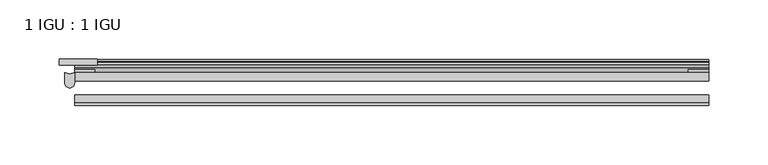
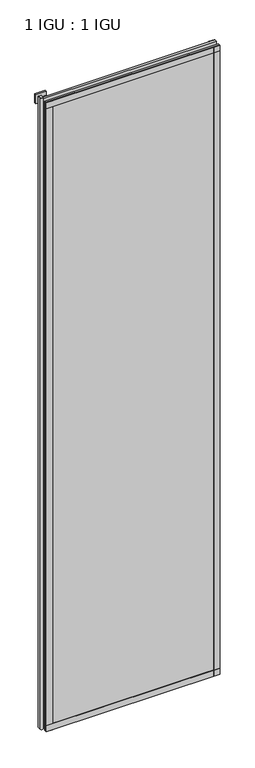
"""IFC4 building model written with IfcOpenShell, lengths in millimetres: plate geometry, 1 IGU : 1 IGU."""

from ifc_helpers import new_model, si_unit, point, frame, frame_2d, origin, place, context, project, spatial, polyline, circle_curve, trimmed, segment, composite_curve, outline, extrude, source, transform, mapped, element, save


def plate_1_igu_1_igu_e9c1ebd1(model_context):
    return source(origin(), model_context, "Body", "SweptSolid", [
        extrude(outline(polyline([(266.7, -11.6085937), (266.7, -18.8576359), (-266.7, -18.8576359), (-266.7, -11.6085937), (266.7, -11.6085937)])), frame((0.0, 0.0, -19.05), z_axis=(0.0, 0.0, 1.0), x_axis=(1.0, 0.0, 0.0)), (0.0, 0.0, 1.0), 2038.3500001),
        extrude(outline(polyline([(-266.7, -30.7093937), (266.7, -30.7093937), (266.7, -37.0085937), (-266.7, -37.0085937), (-266.7, -30.7093937)])), frame((0.0, 0.0, -19.05), z_axis=(0.0, 0.0, 1.0), x_axis=(1.0, 0.0, 0.0)), (0.0, 0.0, 1.0), 2038.3500001),
        extrude(outline(polyline([(-279.4, -5.3578125), (-279.4, -0.4960938), (-247.65, -0.4960938), (-247.65, -5.3578125), (-279.4, -5.3578125)])), frame((0.0, 0.0, 2000.2500001), z_axis=(0.0, 0.0, 1.0), x_axis=(1.0, 0.0, 0.0)), (0.0, 0.0, 1.0), 28.575),
        extrude(outline(composite_curve([segment(trimmed(circle_curve(frame_2d((-270.7937298, -4.9389529)), 7.8257736), [point((-274.8874596, -11.6085937))], [point((-266.7, -11.6085937))], True, "CARTESIAN"), True, "CONTINUOUS"), segment(polyline([(-266.7, -11.6085937), (-266.7, -20.4985937)]), True, "CONTINUOUS"), segment(trimmed(circle_curve(frame_2d((-270.7937298, -20.4985937)), 4.0937298), [point((-266.7, -20.4985937))], [point((-274.8874596, -20.4985937))], False, "CARTESIAN"), True, "CONTINUOUS"), segment(polyline([(-274.8874596, -20.4985937), (-274.8874596, -11.6085937)]), True, "CONTINUOUS")], self_intersect=False)), frame((0.0, 0.0, -19.05), z_axis=(0.0, 0.0, 1.0), x_axis=(1.0, 0.0, 0.0)), (0.0, 0.0, 1.0), 2045.4874001),
        extrude(outline(polyline([(-11.6085937, -15.24), (-11.6085937, 2.8161565), (-0.5298609, 1.2591422), (-0.5298609, -0.6645794), (-5.258589, 0.0), (-5.258589, -4.826), (-1.575589, -4.826), (-1.575589, -7.874), (-5.258589, -7.874), (-5.258589, -13.208), (-3.099589, -13.208), (-3.099589, -15.24), (-11.6085937, -15.24)])), frame((-266.7, 0.0, 0.0), z_axis=(1.0, 0.0, 0.0), x_axis=(0.0, 1.0, 0.0)), (0.0, 0.0, 1.0), 533.4),
        extrude(outline(polyline([(-266.7, -39.2945937), (-266.7, -37.0085937), (266.7, -37.0085937), (266.7, -39.2945937), (-266.7, -39.2945937)])), frame((0.0, 0.0, -19.05), z_axis=(0.0, 0.0, 1.0), x_axis=(1.0, 0.0, 0.0)), (0.0, 0.0, 1.0), 19.05),
        extrude(outline(composite_curve([segment(trimmed(circle_curve(frame_2d((-6.5285937, 2011.721876)), 1.27), [point((-7.4547667, 2012.590843))], [point((-5.2585937, 2011.721876))], False, "CARTESIAN"), True, "CONTINUOUS"), segment(polyline([(-5.2585937, 2011.721876), (-5.2585937, 2008.5050001), (-3.3544944, 2005.8297863), (-5.2585937, 2005.484551), (-5.2585937, 2000.2500001), (-2.385052, 2000.2500001)]), True, "CONTINUOUS"), segment(trimmed(circle_curve(frame_2d((-3.2589487, 1999.7317718)), 1.016), [point((-2.385052, 2000.2500001))], [point((-3.236916, 1998.7160107))], False, "CARTESIAN"), True, "CONTINUOUS"), segment(trimmed(circle_curve(frame_2d((-2.5575611, 1967.3961025)), 31.3272753), [point((-3.236916, 1998.7160107))], [point((-11.6085937, 1997.3873843))], True, "CARTESIAN"), True, "CONTINUOUS"), segment(polyline([(-11.6085937, 1997.3873843), (-11.6085937, 2008.1635609), (-7.4547667, 2012.590843)]), True, "CONTINUOUS")], self_intersect=False)), frame((-266.7, 0.0, 0.0), z_axis=(1.0, 0.0, 0.0), x_axis=(0.0, 1.0, 0.0)), (0.0, 0.0, 1.0), 533.4),
        extrude(outline(polyline([(-266.7, -39.2945937), (-266.7, -37.0085937), (266.7, -37.0085937), (266.7, -39.2945937), (-266.7, -39.2945937)])), frame((0.0, 0.0, 2000.2500001), z_axis=(0.0, 0.0, 1.0), x_axis=(1.0, 0.0, 0.0)), (0.0, 0.0, 1.0), 19.05),
        extrude(outline(polyline([(247.65, -37.0085937), (266.7, -37.0085937), (266.7, -39.2945938), (247.65, -39.2945938), (247.65, -37.0085937)])), frame((0.0, 0.0, -19.05), z_axis=(0.0, 0.0, 1.0), x_axis=(1.0, 0.0, 0.0)), (0.0, 0.0, 1.0), 2038.3500001),
        extrude(outline(polyline([(266.7, -9.3247196), (266.7, -11.6085937), (249.6185, -11.6085937), (249.6185, -9.3247196), (266.7, -9.3247196)])), frame((0.0, 0.0, -19.05), z_axis=(0.0, 0.0, 1.0), x_axis=(1.0, 0.0, 0.0)), (0.0, 0.0, 1.0), 2038.3500001),
        extrude(outline(polyline([(-266.7, -39.2945937), (-266.7, -37.0085937), (-247.65, -37.0085937), (-247.65, -39.2945937), (-266.7, -39.2945937)])), frame((0.0, 0.0, -19.05), z_axis=(0.0, 0.0, 1.0), x_axis=(1.0, 0.0, 0.0)), (0.0, 0.0, 1.0), 2038.3500001),
        extrude(outline(polyline([(-266.7, -11.6107196), (-266.7, -9.2273437), (-249.6185, -9.2273437), (-249.6185, -11.6107196), (-266.7, -11.6107196)])), frame((0.0, 0.0, -19.05), z_axis=(0.0, 0.0, 1.0), x_axis=(1.0, 0.0, 0.0)), (0.0, 0.0, 1.0), 2038.3500001),
    ])


if __name__ == "__main__":
    model = new_model("IFC4")
    model_context = context("Model", 3, world=origin())
    ifc_project = project(units=[si_unit("LENGTHUNIT", "METRE", prefix="MILLI")], contexts=[model_context])
    site = spatial("IfcSite", under=ifc_project)
    building = spatial("IfcBuilding", under=site)
    placement = place(None, origin())
    plate_1_igu_1_igu_shape = plate_1_igu_1_igu_e9c1ebd1(model_context)
    element("IfcPlate", 1, ObjectType="1 IGU : 1 IGU", at=placement, inside=building, context=model_context, shape_type="MappedRepresentation", body=[
        mapped(plate_1_igu_1_igu_shape, transform((0.0, 0.0, 0.0), x_axis=(1.0, 0.0, 0.0), y_axis=(0.0, 1.0, 0.0), z_axis=(0.0, 0.0, 1.0))),
    ])
    save(model, "model.ifc")
